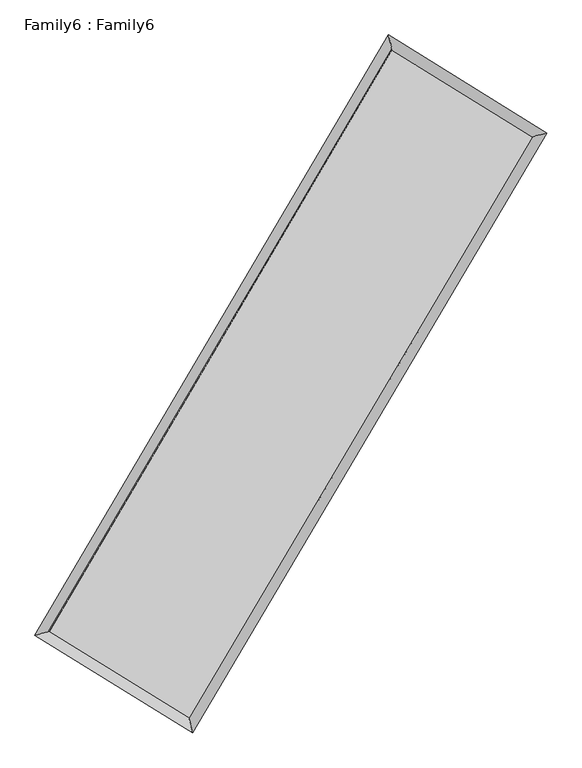
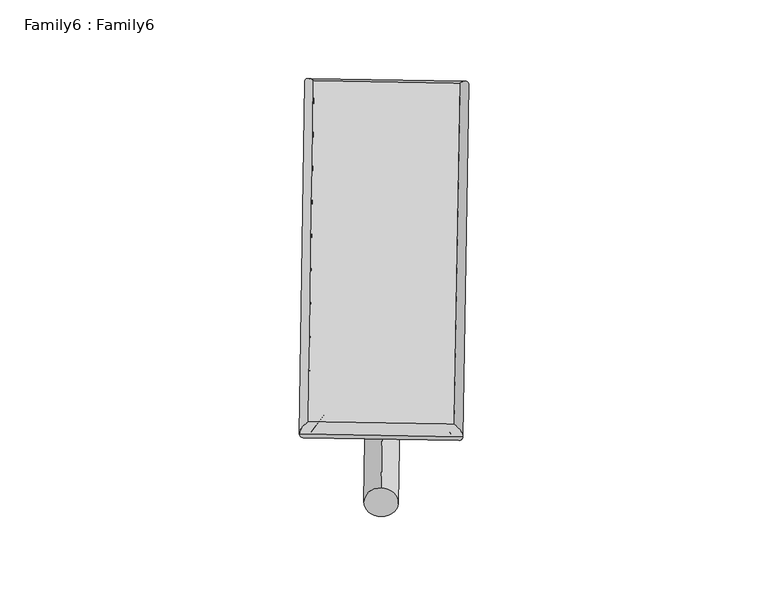
"""IFC4 building model written with IfcOpenShell, lengths in millimetres: plate geometry, Family6 : Family6."""

from ifc_helpers import new_model, si_unit, point, frame, origin, origin_2d, place, context, project, spatial, circle_curve, ellipse_curve, trimmed, segment, composite_curve, outline, extrude, source, transform, mapped, element, save
from ifc_brep_helpers import plane_surface, cylinder_surface, spline_surface, advanced_brep


def family6_family6_a0da717d(model_context):
    return source(origin(), model_context, "Body", "SolidModel", [
        extrude(outline(composite_curve([segment(trimmed(circle_curve(origin_2d(), 76.2), [point((-75.4341514, -10.7763073))], [point((75.4341514, 10.7763073))], False, "CARTESIAN"), True, "CONTINUOUS"), segment(trimmed(circle_curve(origin_2d(), 76.2), [point((75.4341514, 10.7763073))], [point((-75.4341514, -10.7763073))], False, "CARTESIAN"), True, "CONTINUOUS")], self_intersect=False)), frame((9144.0, 9144.0, 0.0), z_axis=(0.673356250758454, 0.6865866713001619, 0.2742081369279214), x_axis=(-0.6787599760996474, 0.7211206232785731, -0.13881621493013113)), (0.0, 0.0, 1.0), 5551.1302964),
        extrude(outline(composite_curve([segment(trimmed(circle_curve(origin_2d(), 76.2), [point((-53.8815367, 53.8815367))], [point((53.8815367, -53.8815367))], False, "CARTESIAN"), True, "CONTINUOUS"), segment(trimmed(circle_curve(origin_2d(), 76.2), [point((53.8815367, -53.8815367))], [point((-53.8815367, 53.8815367))], False, "CARTESIAN"), True, "CONTINUOUS")], self_intersect=False)), frame((9144.0, 9144.0, 0.0), z_axis=(-0.6722493192401703, -0.6876676357798998, 0.2742153815561971), x_axis=(0.6424528494956848, -0.35782598524951714, 0.6776539680803819)), (0.0, 0.0, 1.0), 5550.8404794),
        extrude(outline(composite_curve([segment(trimmed(circle_curve(origin_2d(), 76.2), [point((-53.8815367, -53.8815367))], [point((53.8815367, 53.8815367))], False, "CARTESIAN"), True, "CONTINUOUS"), segment(trimmed(circle_curve(origin_2d(), 76.2), [point((53.8815367, 53.8815367))], [point((-53.8815367, -53.8815367))], False, "CARTESIAN"), True, "CONTINUOUS")], self_intersect=False)), frame((9144.0, 9144.0, 0.0), z_axis=(0.27777057970716085, 0.9214024551815146, 0.2717738409682298), x_axis=(-0.8390190860347991, 0.3704730675340006, -0.39849301060530334)), (0.0, 0.0, 1.0), 5603.4430043),
        extrude(outline(composite_curve([segment(trimmed(circle_curve(origin_2d(), 76.2), [point((-75.4341514, 10.7763073))], [point((75.4341514, -10.7763073))], False, "CARTESIAN"), True, "CONTINUOUS"), segment(trimmed(circle_curve(origin_2d(), 76.2), [point((75.4341514, -10.7763073))], [point((-75.4341514, 10.7763073))], False, "CARTESIAN"), True, "CONTINUOUS")], self_intersect=False)), frame((9144.0, 9144.0, 0.0), z_axis=(-0.279040904301922, -0.9209533808733876, 0.27199456609322686), x_axis=(0.8772811578803165, -0.12929196410136323, 0.4622351761246468)), (0.0, 0.0, 1.0), 5598.5672693),
        advanced_brep(
        [(5205.3881715, 5275.574824, 1522.1814437), (5619.5143615, 5378.1584779, 1522.0702363), (10752.7004927, 14095.3772374, 1522.7918577), (10648.2427306, 14518.6750459, 1522.9465982), (12674.7532466, 12904.3955503, 1522.1714453), (13089.0233212, 13006.2685941, 1522.1587475), (7529.6168143, 4199.2590053, 1522.7682473), (7633.9246385, 3776.7020853, 1522.791503)],
        [
            (0, 1, ellipse_curve(frame((5412.4512665, 5326.8666509, 1522.12584), z_axis=(-0.24044403276790868, 0.970662995225694, -0.00012963714459769584), x_axis=(-0.9706629694349389, -0.24044405767170968, -0.0002343034576320457)), 213.3213319, 152.4)),
            (1, 2),
            (2, 3, ellipse_curve(frame((10700.4716117, 14307.0261417, 1522.8692279), z_axis=(-0.9708755538384216, -0.2395843022174342, 0.0001452237001404699), x_axis=(0.23958426365825963, -0.9708755441178574, -0.00024174611455387565)), 217.9979846, 152.4)),
            (3, 0),
            (1, 0, ellipse_curve(frame((5412.4512665, 5326.8666509, 1522.12584), z_axis=(-0.24044403276790868, 0.970662995225694, -0.00012963714459769584), x_axis=(-0.9706629694349389, -0.24044405767170968, -0.0002343034576320457)), 213.3213319, 152.4)),
            (3, 2, ellipse_curve(frame((10700.4716117, 14307.0261417, 1522.8692279), z_axis=(-0.9708755538384216, -0.2395843022174342, 0.0001452237001404699), x_axis=(0.23958426365825963, -0.9708755441178574, -0.00024174611455387565)), 217.9979846, 152.4)),
            (2, 4),
            (4, 5, ellipse_curve(frame((12881.8882839, 12955.3320722, 1522.1650964), z_axis=(-0.2387955264519248, 0.9710698604279261, 0.0001507150830286928), x_axis=(-0.9710698353202643, -0.23879555725622328, 0.00023825567110200084)), 213.3060123, 152.4)),
            (5, 3),
            (5, 4, ellipse_curve(frame((12881.8882839, 12955.3320722, 1522.1650964), z_axis=(-0.2387955264519248, 0.9710698604279261, 0.0001507150830286928), x_axis=(-0.9710698353202643, -0.23879555725622328, 0.00023825567110200084)), 213.3060123, 152.4)),
            (4, 6),
            (6, 7, ellipse_curve(frame((7581.7707264, 3987.9805453, 1522.7798752), z_axis=(0.9708579836972869, 0.23965549357081142, 0.00014104102034720976), x_axis=(-0.23965545983213302, 0.9708579771072016, -0.000221042894559206)), 217.6203569, 152.4)),
            (7, 5),
            (7, 6, ellipse_curve(frame((7581.7707264, 3987.9805453, 1522.7798752), z_axis=(0.9708579836972869, 0.23965549357081142, 0.00014104102034720976), x_axis=(-0.23965545983213302, 0.9708579771072016, -0.000221042894559206)), 217.6203569, 152.4)),
            (6, 1),
            (0, 7),
        ],
        [
            cylinder_surface(frame((5412.4512665, 5326.8666509, 1522.12584), z_axis=(-0.5074174049028912, -0.8617003957950138, -7.133254828108214e-05), x_axis=(-0.8617003322997785, 0.5074173315268, 0.00043471907384737117)), 152.4),
            cylinder_surface(frame((10700.4716117, 14307.0261417, 1522.8692279), z_axis=(-0.8500394967657191, 0.5267188800995015, 0.00027438114010332697), x_axis=(0.5267189393046225, 0.8500394740428521, 0.0002270391264312845)), 152.4),
            cylinder_surface(frame((12881.8882839, 12955.3320722, 1522.1650964), z_axis=(0.5088166888275842, 0.8608748885216978, -5.901938440463617e-05), x_axis=(0.8608748903935527, -0.5088166888275842, 1.6137596318076655e-05)), 152.4),
            cylinder_surface(frame((7581.7707264, 3987.9805453, 1522.7798752), z_axis=(0.8509711439916464, -0.5252123820603141, 0.0002565620390637383), x_axis=(-0.5252123498967322, -0.8509711823601285, -0.0001852256946508991)), 152.4),
        ],
        [
            (0, [[1, 2, 3, 4]]),
            (0, [[5, -4, 6, -2]]),
            (1, [[-3, 7, 8, 9]]),
            (1, [[-6, -9, 10, -7]]),
            (2, [[-8, 11, 12, 13]]),
            (2, [[-10, -13, 14, -11]]),
            (3, [[-12, 15, -1, 16]]),
            (3, [[-14, -16, -5, -15]]),
        ],
    ),
        extrude(outline(composite_curve([segment(trimmed(circle_curve(origin_2d(), 304.8), [point((0.0, -304.8))], [point((-1e-07, 304.8))], False, "CARTESIAN"), True, "CONTINUOUS"), segment(trimmed(circle_curve(origin_2d(), 304.8), [point((-1e-07, 304.8))], [point((0.0, -304.8))], False, "CARTESIAN"), True, "CONTINUOUS")], self_intersect=False)), frame((6488.718229, 4643.0096963, 1e-06), z_axis=(0.508105921675518, 0.8612945909259342, -1.860260410147343e-10), x_axis=(-0.8612945909259342, 0.508105921675518, -5.078236056035502e-11)), (0.0, 0.0, 1.0), 10451.6859878),
        advanced_brep(
        [(5412.4512665, 5326.8666509, 1522.12584), (7581.7707264, 3987.9805453, 1522.7798752), (7581.7716315, 3987.9789168, 1675.1798751), (5412.4521716, 5326.8650224, 1674.52584), (12881.8882839, 12955.3320722, 1522.1650964), (12881.889189, 12955.3304436, 1674.5650964), (10700.4716117, 14307.0261417, 1522.8692279), (10700.4725168, 14307.0245131, 1675.2692279)],
        [
            (0, 1),
            (1, 2),
            (2, 3),
            (3, 0),
            (1, 4),
            (4, 5),
            (5, 2),
            (4, 6),
            (6, 7),
            (7, 5),
            (6, 0),
            (3, 7),
        ],
        [
            plane_surface(frame((6497.1109964, 4657.4235981, 1522.4528576), z_axis=(-0.5252123980324118, -0.8509711727886861, -5.974256818052265e-06), x_axis=(0.8509711439916462, -0.525212382060314, 0.00025656203906373836))),
            plane_surface(frame((10231.8295051, 8471.6563087, 1522.4724858), z_axis=(0.8608748896563093, -0.5088166902214731, -1.0550005986978737e-05), x_axis=(0.5088166888275841, 0.8608748885216979, -5.9019384404636105e-05))),
            plane_surface(frame((11791.1799478, 13631.1791069, 1522.5171622), z_axis=(0.5267189013061766, 0.8500395278875849, 5.955354036219984e-06), x_axis=(-0.850039496765719, 0.5267188800995017, 0.0002743811401033271))),
            plane_surface(frame((8056.4614391, 9816.9463963, 1522.497534), z_axis=(-0.8617003983209569, 0.5074174055177983, 1.0539955887717543e-05), x_axis=(-0.5074174049028912, -0.8617003957950136, -7.1332548281082e-05))),
            spline_surface(1, 1, [[(7581.7716315, 3987.9789168, 1675.1798751), (5412.4521716, 5326.8650224, 1674.52584)], [(12881.889189, 12955.3304436, 1674.5650964), (10700.4725168, 14307.0245131, 1675.2692279)]], [2, 2], [2, 2], [0.0, 1.0], [0.0, 1.0]),
            spline_surface(1, 1, [[(10700.4716117, 14307.0261417, 1522.8692279), (5412.4512665, 5326.8666509, 1522.12584)], [(12881.8882839, 12955.3320722, 1522.1650964), (7581.7707264, 3987.9805453, 1522.7798752)]], [2, 2], [2, 2], [0.0, 1.0], [0.0, 1.0]),
        ],
        [
            (0, [[1, 2, 3, 4]]),
            (1, [[5, 6, 7, -2]]),
            (2, [[8, 9, 10, -6]]),
            (3, [[11, -4, 12, -9]]),
            (4, [[-3, -7, -10, -12]]),
            (5, [[-11, -8, -5, -1]]),
        ],
    ),
    ])


if __name__ == "__main__":
    model = new_model("IFC4")
    model_context = context("Model", 3, world=origin())
    ifc_project = project(units=[si_unit("LENGTHUNIT", "METRE", prefix="MILLI")], contexts=[model_context])
    site = spatial("IfcSite", under=ifc_project)
    building = spatial("IfcBuilding", under=site)
    placement = place(None, origin())
    family6_family6_shape = family6_family6_a0da717d(model_context)
    element("IfcPlate", 1, ObjectType="Family6 : Family6", at=placement, inside=building, context=model_context, shape_type="MappedRepresentation", body=[
        mapped(family6_family6_shape, transform((0.0, 0.0, 0.0), x_axis=(1.0, 0.0, 0.0), y_axis=(0.0, 1.0, 0.0), z_axis=(0.0, 0.0, 1.0))),
    ])
    save(model, "model.ifc")
